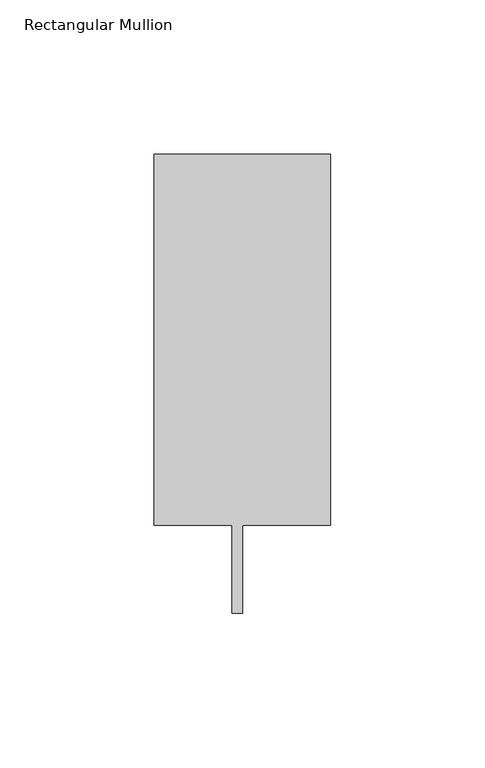
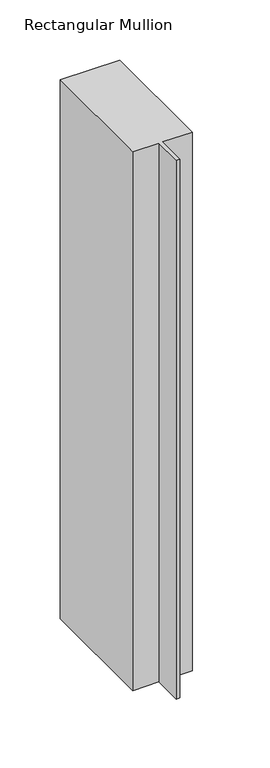
"""IFC4 building model written with IfcOpenShell, lengths in millimetres: member geometry, Rectangular Mullion."""

from ifc_helpers import new_model, si_unit, frame, origin, place, context, project, spatial, polyline, outline, extrude, source, transform, mapped, element, save


def rectangular_mullion_eb0252a5(model_context):
    return source(origin(), model_context, "Body", "SweptSolid", [
        extrude(outline(polyline([(-57.15, 151.892), (0.0, 151.892), (0.0, 31.75), (-28.575, 31.75), (-28.575, 3.1495791), (-31.877, 3.1495791), (-31.877, 31.75), (-57.15, 31.75), (-57.15, 151.892)])), frame((0.0, 0.0, -546.1), z_axis=(0.0, 0.0, 1.0), x_axis=(1.0, 0.0, 0.0)), (0.0, 0.0, 1.0), 546.1),
    ])


if __name__ == "__main__":
    model = new_model("IFC4")
    model_context = context("Model", 3, world=origin())
    ifc_project = project(units=[si_unit("LENGTHUNIT", "METRE", prefix="MILLI")], contexts=[model_context])
    site = spatial("IfcSite", under=ifc_project)
    building = spatial("IfcBuilding", under=site)
    placement = place(None, origin())
    rectangular_mullion_shape = rectangular_mullion_eb0252a5(model_context)
    element("IfcMember", 1, ObjectType="Rectangular Mullion", at=placement, inside=building, context=model_context, shape_type="MappedRepresentation", body=[
        mapped(rectangular_mullion_shape, transform((0.0, 0.0, 0.0), x_axis=(1.0, 0.0, 0.0), y_axis=(0.0, 1.0, 0.0), z_axis=(0.0, 0.0, 1.0))),
    ])
    save(model, "model.ifc")
